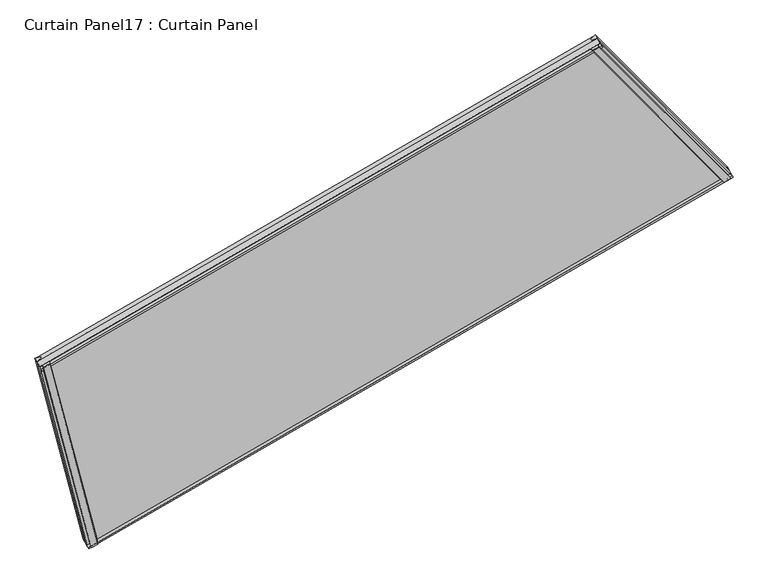
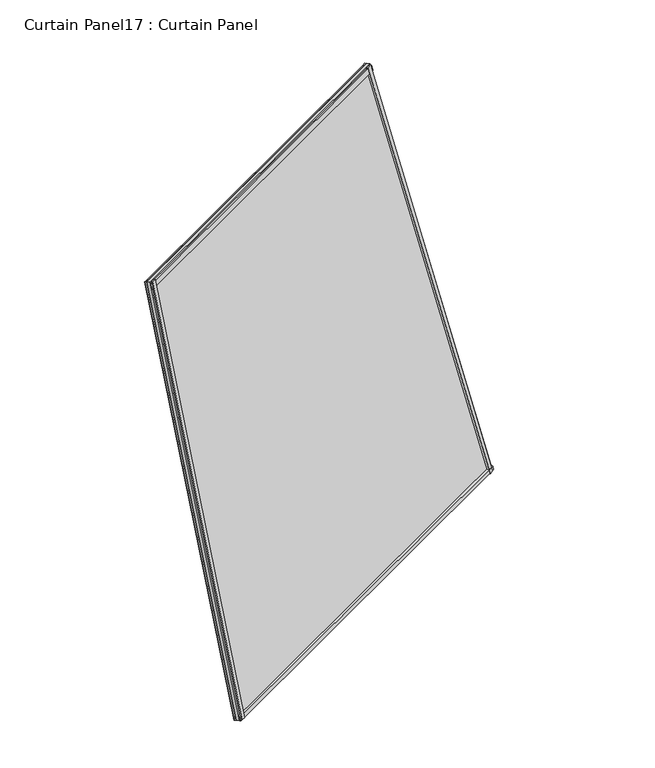
"""IFC4 building model written with IfcOpenShell, lengths in millimetres: plate geometry, Curtain Panel17 : Curtain Panel."""

from ifc_helpers import new_model, si_unit, frame, origin, place, context, project, spatial, polyline, outline, extrude, source, transform, mapped, element, save


def curtain_panel17_curtain_panel_65f8e8cf(model_context):
    return source(origin(), model_context, "Body", "SweptSolid", [
        extrude(outline(polyline([(22.279479, -5.8689468), (22.2882717, -20.9890896), (17.5121094, -24.0709891), (17.5015261, -5.8717254), (22.279479, -5.8689468)])), frame((-10071.7488443, -15849.855348, 980.3279056), z_axis=(-0.18301270189221774, 0.18301270189221863, 0.9659258262890689), x_axis=(0.4840501729431867, -0.8383994929501034, 0.2505628070857301)), (0.0, 0.0, 1.0), 1495.73062),
        extrude(outline(polyline([(-1.6371094, 0.0), (4.7128906, 0.0), (4.7128906, -11.4749739), (-0.0826892, -12.7161612), (-3.2648368, -0.4212869), (-1.6371094, 0.0)])), frame((-10071.7488443, -15849.855348, 980.3279056), z_axis=(-0.18301270189221774, 0.18301270189221863, 0.9659258262890689), x_axis=(0.4840501729431867, -0.8383994929501034, 0.2505628070857301)), (0.0, 0.0, 1.0), 1495.73062),
        extrude(outline(polyline([(22.2794791, 5.8689469), (17.5015261, 5.8717254), (17.5121093, 24.0709891), (22.2882718, 20.9890896), (22.2794791, 5.8689469)])), frame((-11409.5542041, -16622.2376326, 980.3279056), z_axis=(-0.06698729810778181, 0.2499999999999976, 0.9659258262890689), x_axis=(0.4840501729431866, -0.8383994929501034, 0.2505628070857301)), (0.0, 0.0, 1.0), 1495.7306199),
        extrude(outline(polyline([(-1.6371094, 0.0), (-3.2648368, 0.4212869), (-0.0826892, 12.7161613), (4.7128906, 11.4749739), (4.7128906, 0.0), (-1.6371094, 0.0)])), frame((-11409.5542041, -16622.2376326, 980.3279056), z_axis=(-0.06698729810778181, 0.2499999999999976, 0.9659258262890689), x_axis=(0.4840501729431866, -0.8383994929501034, 0.2505628070857301)), (0.0, 0.0, 1.0), 1495.7306199),
        extrude(outline(polyline([(4.7128906, -0.0962513), (-3.0167052, 1.9248903), (-0.2323939, 12.6936133), (4.7128907, 13.7735702), (4.7128906, -0.0962513)])), frame((-11509.7504869, -16248.2624858, 2425.2374899), z_axis=(0.8660254037844395, 0.49999999999999833, 0.0), x_axis=(0.4840501729431866, -0.8383994929501034, 0.2505628070857301)), (0.0, 0.0, 1.0), 1344.3344762),
        extrude(outline(polyline([(22.1657112, 21.9894187), (22.3120932, 5.3270475), (17.5121095, 4.0615192), (17.5121094, 24.2610253), (22.1657112, 21.9894187)])), frame((-11509.7504869, -16248.2624858, 2425.2374899), z_axis=(0.8660254037844395, 0.49999999999999833, 0.0), x_axis=(0.4840501729431866, -0.8383994929501034, 0.2505628070857301)), (0.0, 0.0, 1.0), 1344.3344762),
        extrude(outline(polyline([(4.7128906, 0.0), (4.7128906, -11.5612583), (-0.0992188, -10.3383034), (-0.0992188, 0.0), (4.7128906, 0.0)])), frame((-11409.555549, -16622.1951495, 980.472655), z_axis=(0.866025403784439, 0.4999999999999993, 0.0), x_axis=(0.4840501729431866, -0.8383994929501034, 0.2505628070857301)), (0.0, 0.0, 1.0), 1544.7244166),
        extrude(outline(polyline([(17.5121093, -16.9465984), (17.5121094, 0.0), (22.3807368, 0.0), (22.3807369, -12.4442107), (17.5121093, -16.9465984)])), frame((-11409.555549, -16622.1951495, 980.472655), z_axis=(0.866025403784439, 0.4999999999999993, 0.0), x_axis=(0.4840501729431866, -0.8383994929501034, 0.2505628070857301)), (0.0, 0.0, 1.0), 1544.7244166),
        extrude(outline(polyline([(-69.2031684, 1e-07), (-172.6814282, -1541.2747309), (-1654.9884698, -1341.3349352), (-1564.9337883, 1e-07), (-69.2031684, 1e-07)])), frame((-10056.8299355, -15866.4442665, 914.8084025), z_axis=(0.48405017294318675, -0.8383994929501034, 0.2505628070857302), x_axis=(0.18301270189221786, -0.18301270189221863, -0.9659258262890688)), (0.0, 0.0, 1.0), 12.7992187),
    ])


if __name__ == "__main__":
    model = new_model("IFC4")
    model_context = context("Model", 3, world=origin())
    ifc_project = project(units=[si_unit("LENGTHUNIT", "METRE", prefix="MILLI")], contexts=[model_context])
    site = spatial("IfcSite", under=ifc_project)
    building = spatial("IfcBuilding", under=site)
    placement = place(None, origin())
    curtain_panel17_curtain_panel_shape = curtain_panel17_curtain_panel_65f8e8cf(model_context)
    element("IfcPlate", 1, ObjectType="Curtain Panel17 : Curtain Panel", at=placement, inside=building, context=model_context, shape_type="MappedRepresentation", body=[
        mapped(curtain_panel17_curtain_panel_shape, transform((0.0, 0.0, 0.0), x_axis=(1.0, 0.0, 0.0), y_axis=(0.0, 1.0, 0.0), z_axis=(0.0, 0.0, 1.0))),
    ])
    save(model, "model.ifc")
